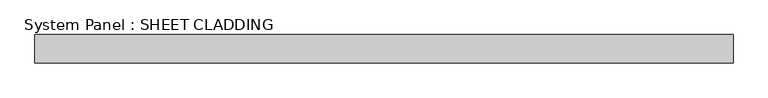
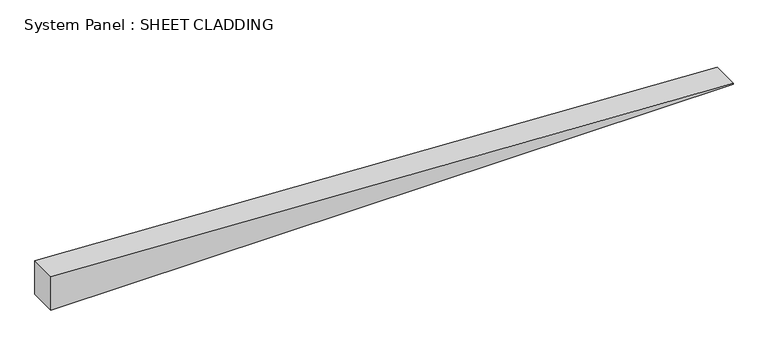
"""IFC4 building model written with IfcOpenShell, lengths in millimetres: plate geometry, System Panel : SHEET CLADDING."""

from ifc_helpers import new_model, si_unit, frame, origin, place, context, project, spatial, polyline, outline, extrude, source, transform, mapped, element, save


def system_panel_sheet_cladding_75bcb72c(model_context):
    return source(origin(), model_context, "Body", "SweptSolid", [
        extrude(outline(polyline([(0.0, -735.4591837), (0.0, 735.4591837), (2.2683673, 735.4591837), (75.8142857, -735.4591837), (0.0, -735.4591837)])), frame((0.0, -10.5, 0.0), z_axis=(0.0, 1.0, 0.0), x_axis=(0.0, 0.0, 1.0)), (0.0, 0.0, 1.0), 60.0),
    ])


if __name__ == "__main__":
    model = new_model("IFC4")
    model_context = context("Model", 3, world=origin())
    ifc_project = project(units=[si_unit("LENGTHUNIT", "METRE", prefix="MILLI")], contexts=[model_context])
    site = spatial("IfcSite", under=ifc_project)
    building = spatial("IfcBuilding", under=site)
    placement = place(None, origin())
    system_panel_sheet_cladding_shape = system_panel_sheet_cladding_75bcb72c(model_context)
    element("IfcPlate", 1, ObjectType="System Panel : SHEET CLADDING", at=placement, inside=building, context=model_context, shape_type="MappedRepresentation", body=[
        mapped(system_panel_sheet_cladding_shape, transform((0.0, 0.0, 0.0), x_axis=(1.0, 0.0, 0.0), y_axis=(0.0, 1.0, 0.0), z_axis=(0.0, 0.0, 1.0))),
    ])
    save(model, "model.ifc")
